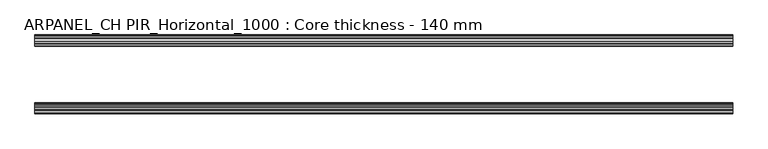
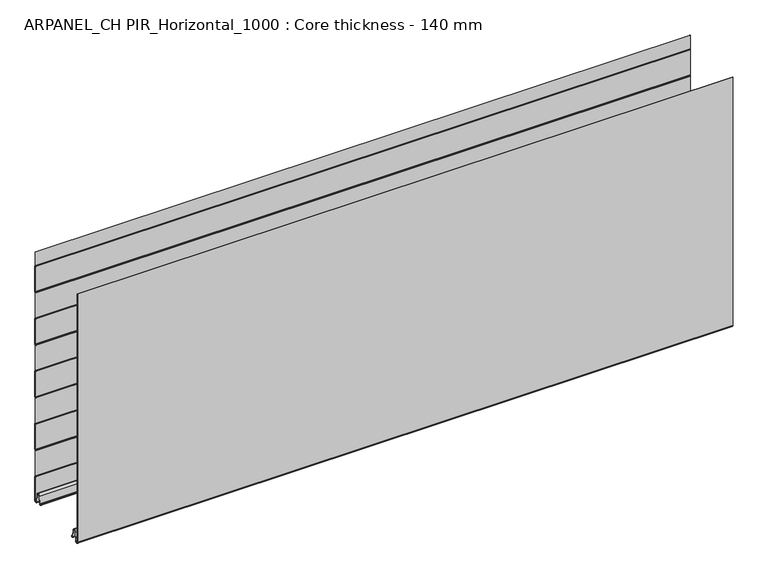
"""IFC4 building model written with IfcOpenShell, lengths in millimetres: plate geometry, ARPANEL_CH PIR_Horizontal_1000 : Core thickness - 140 mm."""

from ifc_helpers import new_model, si_unit, frame, origin, place, context, project, spatial, polyline, circle_curve, source, transform, mapped, element, save
from ifc_brep_helpers import plane_surface, cylinder_surface, revolved_surface, advanced_brep


def arpanel_ch_pir_horizontal_1000_core_thickness_140_mm_5eaaea80(model_context):
    return source(origin(), model_context, "Body", "AdvancedBrep", [
        advanced_brep(
        [(620.0, -1.5003051, 473.4703605), (620.0, -1.0971009, 472.0509491), (620.0, -0.8, 470.9985637), (620.0, -0.8, 420.8387805), (620.0, -1.0986697, 419.7873646), (620.0, -1.5003051, 418.3669837), (620.0, -1.5003051, 368.2072005), (620.0, -1.0971009, 366.7877891), (620.0, -0.8, 365.7354037), (620.0, -0.8, 315.5756205), (620.0, -1.0986697, 314.5242046), (620.0, -1.5003051, 313.1038237), (620.0, -1.5003051, 262.9440405), (620.0, -1.0971009, 261.5246291), (620.0, -0.8, 260.4722437), (620.0, -0.8, 210.3124605), (620.0, -1.0986697, 209.2610446), (620.0, -1.5003051, 207.8406637), (620.0, -1.5003051, 157.6808805), (620.0, -1.0971009, 156.2614691), (620.0, -0.8, 155.2090837), (620.0, -0.8, 105.0493005), (620.0, -1.0986697, 103.9978846), (620.0, -1.5003051, 102.5775037), (620.0, -1.5003051, 52.4177205), (620.0, -1.0971009, 50.9983091), (620.0, -0.8, 49.9459237), (620.0, -0.8, 3.0900682), (620.0, -5.3893281, 2.8656275), (620.0, -7.0067021, 19.3608832), (620.0, -10.8223285, 22.7899182), (620.0, -14.6379549, 19.3608832), (620.0, -16.0235822, 5.2291629), (620.0, -18.8169005, 5.365779), (620.0, -19.6169005, 5.365779), (620.0, -15.2274002, 5.1510966), (620.0, -13.8417729, 19.2828169), (620.0, -10.8223285, 21.9898782), (620.0, -7.802884, 19.2828169), (620.0, -6.18551, 2.7875612), (620.0, -0.0003051, 3.0900682), (620.0, -0.0003051, 49.9459237), (620.0, -0.4034608, 51.3652568), (620.0, -0.7003051, 52.4177205), (620.0, -0.7003051, 102.5775037), (620.0, -0.4016712, 103.6288615), (620.0, -0.0003051, 105.0493005), (620.0, -0.0003051, 155.2090837), (620.0, -0.4034608, 156.6284168), (620.0, -0.7003051, 157.6808805), (620.0, -0.7003051, 207.8406637), (620.0, -0.4016712, 208.8920215), (620.0, -0.0003051, 210.3124605), (620.0, -0.0003051, 260.4722437), (620.0, -0.4034608, 261.8915768), (620.0, -0.7003051, 262.9440405), (620.0, -0.7003051, 313.1038237), (620.0, -0.4016712, 314.1551815), (620.0, -0.0003051, 315.5756205), (620.0, -0.0003051, 365.7354037), (620.0, -0.4034608, 367.1547368), (620.0, -0.7003051, 368.2072005), (620.0, -0.7003051, 418.3669837), (620.0, -0.4016712, 419.4183415), (620.0, -0.0003051, 420.8387805), (620.0, -0.0003051, 470.9985637), (620.0, -0.4034608, 472.4178968), (620.0, -0.7003051, 473.4703605), (620.0, -0.7003051, 500.0), (620.0, -1.5003051, 500.0), (-620.0, -0.7003051, 473.4703605), (-620.0, -0.4016712, 472.4190026), (-620.0, -0.0003051, 470.9985637), (-620.0, -0.0003051, 420.8387805), (-620.0, -0.4034608, 419.4194474), (-620.0, -0.7003051, 418.3669837), (-620.0, -0.7003051, 368.2072005), (-620.0, -0.4016712, 367.1558426), (-620.0, -0.0003051, 365.7354037), (-620.0, -0.0003051, 315.5756205), (-620.0, -0.4034608, 314.1562874), (-620.0, -0.7003051, 313.1038237), (-620.0, -0.7003051, 262.9440405), (-620.0, -0.4016712, 261.8926826), (-620.0, -0.0003051, 260.4722437), (-620.0, -0.0003051, 210.3124605), (-620.0, -0.4034608, 208.8931274), (-620.0, -0.7003051, 207.8406637), (-620.0, -0.7003051, 157.6808805), (-620.0, -0.4016712, 156.6295226), (-620.0, -0.0003051, 155.2090837), (-620.0, -0.0003051, 105.0493005), (-620.0, -0.4034608, 103.6299674), (-620.0, -0.7003051, 102.5775037), (-620.0, -0.7003051, 52.4177205), (-620.0, -0.4016712, 51.3663626), (-620.0, -0.0003051, 49.9459237), (-620.0, -0.0003051, 3.0900682), (-620.0, -6.18551, 2.7875612), (-620.0, -7.802884, 19.2828169), (-620.0, -10.8223285, 21.9898782), (-620.0, -13.8417729, 19.2828169), (-620.0, -15.2274002, 5.1510966), (-620.0, -19.6169005, 5.365779), (-620.0, -18.8169005, 5.365779), (-620.0, -16.0235822, 5.2291629), (-620.0, -14.6379549, 19.3608832), (-620.0, -10.8223285, 22.7899182), (-620.0, -7.0067021, 19.3608832), (-620.0, -5.3893281, 2.8656275), (-620.0, -0.8003051, 3.0900682), (-620.0, -0.8, 49.9459237), (-620.0, -1.0986697, 50.9973395), (-620.0, -1.5003051, 52.4177205), (-620.0, -1.5003051, 102.5775037), (-620.0, -1.0971009, 103.9969151), (-620.0, -0.8, 105.0493005), (-620.0, -0.8, 155.2090837), (-620.0, -1.0986697, 156.2604995), (-620.0, -1.5003051, 157.6808805), (-620.0, -1.5003051, 207.8406637), (-620.0, -1.0971009, 209.2600751), (-620.0, -0.8, 210.3124605), (-620.0, -0.8, 260.4722437), (-620.0, -1.0986697, 261.5236595), (-620.0, -1.5003051, 262.9440405), (-620.0, -1.5003051, 313.1038237), (-620.0, -1.0971009, 314.5232351), (-620.0, -0.8, 315.5756205), (-620.0, -0.8, 365.7354037), (-620.0, -1.0986697, 366.7868195), (-620.0, -1.5003051, 368.2072005), (-620.0, -1.5003051, 418.3669837), (-620.0, -1.0971009, 419.7863951), (-620.0, -0.8, 420.8387805), (-620.0, -0.8, 470.9985637), (-620.0, -1.0986697, 472.0499795), (-620.0, -1.5003051, 473.4703605), (-620.0, -1.5003051, 500.0), (-620.0, -0.7003051, 500.0)],
        [
            (0, 1, circle_curve(frame((620.0, 1.1996949, 473.4703605), z_axis=(1.0, 0.0, 0.0), x_axis=(0.0, 0.0, -1.0)), 2.7)),
            (1, 2, circle_curve(frame((620.0, -2.8, 470.9985637), z_axis=(-1.0, 0.0, 0.0), x_axis=(0.0, 0.0, -1.0)), 2.0)),
            (2, 3),
            (3, 4, circle_curve(frame((620.0, -2.8, 420.8387805), z_axis=(-1.0, 0.0, 0.0), x_axis=(0.0, 0.0, -1.0)), 2.0)),
            (4, 5, circle_curve(frame((620.0, 1.1996949, 418.3669837), z_axis=(1.0, 0.0, 0.0), x_axis=(0.0, 0.0, -1.0)), 2.7)),
            (5, 6),
            (6, 7, circle_curve(frame((620.0, 1.1996949, 368.2072005), z_axis=(1.0, 0.0, 0.0), x_axis=(0.0, 0.0, -1.0)), 2.7)),
            (7, 8, circle_curve(frame((620.0, -2.8, 365.7354037), z_axis=(-1.0, 0.0, 0.0), x_axis=(0.0, 0.0, -1.0)), 2.0)),
            (8, 9),
            (9, 10, circle_curve(frame((620.0, -2.8, 315.5756205), z_axis=(-1.0, 0.0, 0.0), x_axis=(0.0, 0.0, -1.0)), 2.0)),
            (10, 11, circle_curve(frame((620.0, 1.1996949, 313.1038237), z_axis=(1.0, 0.0, 0.0), x_axis=(0.0, 0.0, -1.0)), 2.7)),
            (11, 12),
            (12, 13, circle_curve(frame((620.0, 1.1996949, 262.9440405), z_axis=(1.0, 0.0, 0.0), x_axis=(0.0, 0.0, -1.0)), 2.7)),
            (13, 14, circle_curve(frame((620.0, -2.8, 260.4722437), z_axis=(-1.0, 0.0, 0.0), x_axis=(0.0, 0.0, -1.0)), 2.0)),
            (14, 15),
            (15, 16, circle_curve(frame((620.0, -2.8, 210.3124605), z_axis=(-1.0, 0.0, 0.0), x_axis=(0.0, 0.0, -1.0)), 2.0)),
            (16, 17, circle_curve(frame((620.0, 1.1996949, 207.8406637), z_axis=(1.0, 0.0, 0.0), x_axis=(0.0, 0.0, -1.0)), 2.7)),
            (17, 18),
            (18, 19, circle_curve(frame((620.0, 1.1996949, 157.6808805), z_axis=(1.0, 0.0, 0.0), x_axis=(0.0, 0.0, -1.0)), 2.7)),
            (19, 20, circle_curve(frame((620.0, -2.8, 155.2090837), z_axis=(-1.0, 0.0, 0.0), x_axis=(0.0, 0.0, -1.0)), 2.0)),
            (20, 21),
            (21, 22, circle_curve(frame((620.0, -2.8, 105.0493005), z_axis=(-1.0, 0.0, 0.0), x_axis=(0.0, 0.0, -1.0)), 2.0)),
            (22, 23, circle_curve(frame((620.0, 1.1996949, 102.5775037), z_axis=(1.0, 0.0, 0.0), x_axis=(0.0, 0.0, -1.0)), 2.7)),
            (23, 24),
            (24, 25, circle_curve(frame((620.0, 1.1996949, 52.4177205), z_axis=(1.0, 0.0, 0.0), x_axis=(0.0, 0.0, -1.0)), 2.7)),
            (25, 26, circle_curve(frame((620.0, -2.8, 49.9459237), z_axis=(-1.0, 0.0, 0.0), x_axis=(0.0, 0.0, -1.0)), 2.0)),
            (26, 27),
            (27, 28, circle_curve(frame((620.0, -3.1003051, 3.0900682), z_axis=(-1.0, 0.0, 0.0), x_axis=(0.0, 0.0, -1.0)), 2.3)),
            (28, 29),
            (29, 30, circle_curve(frame((620.0, -10.7885662, 18.9900682), z_axis=(1.0, 0.0, 0.0), x_axis=(0.0, 0.0, -1.0)), 3.8)),
            (30, 31, circle_curve(frame((620.0, -10.8560907, 18.9900682), z_axis=(1.0, 0.0, 0.0), x_axis=(0.0, 0.0, -1.0)), 3.8)),
            (31, 32),
            (32, 33, circle_curve(frame((620.0, -17.4169005, 5.365779), z_axis=(-1.0, 0.0, 0.0), x_axis=(0.0, 0.0, -1.0)), 1.4)),
            (33, 34),
            (34, 35, circle_curve(frame((620.0, -17.4169005, 5.365779), z_axis=(1.0, 0.0, 0.0), x_axis=(0.0, 0.0, -1.0)), 2.2)),
            (35, 36),
            (36, 37, circle_curve(frame((620.0, -10.8560907, 18.9900682), z_axis=(-1.0, 0.0, 0.0), x_axis=(0.0, 0.0, -1.0)), 3.0)),
            (37, 38, circle_curve(frame((620.0, -10.7885662, 18.9900682), z_axis=(-1.0, 0.0, 0.0), x_axis=(0.0, 0.0, -1.0)), 3.0)),
            (38, 39),
            (39, 40, circle_curve(frame((620.0, -3.1003051, 3.0900682), z_axis=(1.0, 0.0, 0.0), x_axis=(0.0, 0.0, -1.0)), 3.1)),
            (40, 41),
            (41, 42, circle_curve(frame((620.0, -2.7003051, 49.9459237), z_axis=(1.0, 0.0, 0.0), x_axis=(0.0, 0.0, -1.0)), 2.7)),
            (42, 43, circle_curve(frame((620.0, 1.2996949, 52.4177205), z_axis=(-1.0, 0.0, 0.0), x_axis=(0.0, 0.0, -1.0)), 2.0)),
            (43, 44),
            (44, 45, circle_curve(frame((620.0, 1.2996949, 102.5775037), z_axis=(-1.0, 0.0, 0.0), x_axis=(0.0, 0.0, -1.0)), 2.0)),
            (45, 46, circle_curve(frame((620.0, -2.7003051, 105.0493005), z_axis=(1.0, 0.0, 0.0), x_axis=(0.0, 0.0, -1.0)), 2.7)),
            (46, 47),
            (47, 48, circle_curve(frame((620.0, -2.7003051, 155.2090837), z_axis=(1.0, 0.0, 0.0), x_axis=(0.0, 0.0, -1.0)), 2.7)),
            (48, 49, circle_curve(frame((620.0, 1.2996949, 157.6808805), z_axis=(-1.0, 0.0, 0.0), x_axis=(0.0, 0.0, -1.0)), 2.0)),
            (49, 50),
            (50, 51, circle_curve(frame((620.0, 1.2996949, 207.8406637), z_axis=(-1.0, 0.0, 0.0), x_axis=(0.0, 0.0, -1.0)), 2.0)),
            (51, 52, circle_curve(frame((620.0, -2.7003051, 210.3124605), z_axis=(1.0, 0.0, 0.0), x_axis=(0.0, 0.0, -1.0)), 2.7)),
            (52, 53),
            (53, 54, circle_curve(frame((620.0, -2.7003051, 260.4722437), z_axis=(1.0, 0.0, 0.0), x_axis=(0.0, 0.0, -1.0)), 2.7)),
            (54, 55, circle_curve(frame((620.0, 1.2996949, 262.9440405), z_axis=(-1.0, 0.0, 0.0), x_axis=(0.0, 0.0, -1.0)), 2.0)),
            (55, 56),
            (56, 57, circle_curve(frame((620.0, 1.2996949, 313.1038237), z_axis=(-1.0, 0.0, 0.0), x_axis=(0.0, 0.0, -1.0)), 2.0)),
            (57, 58, circle_curve(frame((620.0, -2.7003051, 315.5756205), z_axis=(1.0, 0.0, 0.0), x_axis=(0.0, 0.0, -1.0)), 2.7)),
            (58, 59),
            (59, 60, circle_curve(frame((620.0, -2.7003051, 365.7354037), z_axis=(1.0, 0.0, 0.0), x_axis=(0.0, 0.0, -1.0)), 2.7)),
            (60, 61, circle_curve(frame((620.0, 1.2996949, 368.2072005), z_axis=(-1.0, 0.0, 0.0), x_axis=(0.0, 0.0, -1.0)), 2.0)),
            (61, 62),
            (62, 63, circle_curve(frame((620.0, 1.2996949, 418.3669837), z_axis=(-1.0, 0.0, 0.0), x_axis=(0.0, 0.0, -1.0)), 2.0)),
            (63, 64, circle_curve(frame((620.0, -2.7003051, 420.8387805), z_axis=(1.0, 0.0, 0.0), x_axis=(0.0, 0.0, -1.0)), 2.7)),
            (64, 65),
            (65, 66, circle_curve(frame((620.0, -2.7003051, 470.9985637), z_axis=(1.0, 0.0, 0.0), x_axis=(0.0, 0.0, -1.0)), 2.7)),
            (66, 67, circle_curve(frame((620.0, 1.2996949, 473.4703605), z_axis=(-1.0, 0.0, 0.0), x_axis=(0.0, 0.0, -1.0)), 2.0)),
            (67, 68),
            (68, 69),
            (69, 0),
            (70, 71, circle_curve(frame((-620.0, 1.2996949, 473.4703605), z_axis=(1.0, 0.0, 0.0), x_axis=(0.0, 0.0, -1.0)), 2.0)),
            (71, 72, circle_curve(frame((-620.0, -2.7003051, 470.9985637), z_axis=(-1.0, 0.0, 0.0), x_axis=(0.0, 0.0, -1.0)), 2.7)),
            (72, 73),
            (73, 74, circle_curve(frame((-620.0, -2.7003051, 420.8387805), z_axis=(-1.0, 0.0, 0.0), x_axis=(0.0, 0.0, -1.0)), 2.7)),
            (74, 75, circle_curve(frame((-620.0, 1.2996949, 418.3669837), z_axis=(1.0, 0.0, 0.0), x_axis=(0.0, 0.0, -1.0)), 2.0)),
            (75, 76),
            (76, 77, circle_curve(frame((-620.0, 1.2996949, 368.2072005), z_axis=(1.0, 0.0, 0.0), x_axis=(0.0, 0.0, -1.0)), 2.0)),
            (77, 78, circle_curve(frame((-620.0, -2.7003051, 365.7354037), z_axis=(-1.0, 0.0, 0.0), x_axis=(0.0, 0.0, -1.0)), 2.7)),
            (78, 79),
            (79, 80, circle_curve(frame((-620.0, -2.7003051, 315.5756205), z_axis=(-1.0, 0.0, 0.0), x_axis=(0.0, 0.0, -1.0)), 2.7)),
            (80, 81, circle_curve(frame((-620.0, 1.2996949, 313.1038237), z_axis=(1.0, 0.0, 0.0), x_axis=(0.0, 0.0, -1.0)), 2.0)),
            (81, 82),
            (82, 83, circle_curve(frame((-620.0, 1.2996949, 262.9440405), z_axis=(1.0, 0.0, 0.0), x_axis=(0.0, 0.0, -1.0)), 2.0)),
            (83, 84, circle_curve(frame((-620.0, -2.7003051, 260.4722437), z_axis=(-1.0, 0.0, 0.0), x_axis=(0.0, 0.0, -1.0)), 2.7)),
            (84, 85),
            (85, 86, circle_curve(frame((-620.0, -2.7003051, 210.3124605), z_axis=(-1.0, 0.0, 0.0), x_axis=(0.0, 0.0, -1.0)), 2.7)),
            (86, 87, circle_curve(frame((-620.0, 1.2996949, 207.8406637), z_axis=(1.0, 0.0, 0.0), x_axis=(0.0, 0.0, -1.0)), 2.0)),
            (87, 88),
            (88, 89, circle_curve(frame((-620.0, 1.2996949, 157.6808805), z_axis=(1.0, 0.0, 0.0), x_axis=(0.0, 0.0, -1.0)), 2.0)),
            (89, 90, circle_curve(frame((-620.0, -2.7003051, 155.2090837), z_axis=(-1.0, 0.0, 0.0), x_axis=(0.0, 0.0, -1.0)), 2.7)),
            (90, 91),
            (91, 92, circle_curve(frame((-620.0, -2.7003051, 105.0493005), z_axis=(-1.0, 0.0, 0.0), x_axis=(0.0, 0.0, -1.0)), 2.7)),
            (92, 93, circle_curve(frame((-620.0, 1.2996949, 102.5775037), z_axis=(1.0, 0.0, 0.0), x_axis=(0.0, 0.0, -1.0)), 2.0)),
            (93, 94),
            (94, 95, circle_curve(frame((-620.0, 1.2996949, 52.4177205), z_axis=(1.0, 0.0, 0.0), x_axis=(0.0, 0.0, -1.0)), 2.0)),
            (95, 96, circle_curve(frame((-620.0, -2.7003051, 49.9459237), z_axis=(-1.0, 0.0, 0.0), x_axis=(0.0, 0.0, -1.0)), 2.7)),
            (96, 97),
            (97, 98, circle_curve(frame((-620.0, -3.1003051, 3.0900682), z_axis=(-1.0, 0.0, 0.0), x_axis=(0.0, 0.0, -1.0)), 3.1)),
            (98, 99),
            (99, 100, circle_curve(frame((-620.0, -10.7885662, 18.9900682), z_axis=(1.0, 0.0, 0.0), x_axis=(0.0, 0.0, -1.0)), 3.0)),
            (100, 101, circle_curve(frame((-620.0, -10.8560907, 18.9900682), z_axis=(1.0, 0.0, 0.0), x_axis=(0.0, 0.0, -1.0)), 3.0)),
            (101, 102),
            (102, 103, circle_curve(frame((-620.0, -17.4169005, 5.365779), z_axis=(-1.0, 0.0, 0.0), x_axis=(0.0, 0.0, -1.0)), 2.2)),
            (103, 104),
            (104, 105, circle_curve(frame((-620.0, -17.4169005, 5.365779), z_axis=(1.0, 0.0, 0.0), x_axis=(0.0, 0.0, -1.0)), 1.4)),
            (105, 106),
            (106, 107, circle_curve(frame((-620.0, -10.8560907, 18.9900682), z_axis=(-1.0, 0.0, 0.0), x_axis=(0.0, 0.0, -1.0)), 3.8)),
            (107, 108, circle_curve(frame((-620.0, -10.7885662, 18.9900682), z_axis=(-1.0, 0.0, 0.0), x_axis=(0.0, 0.0, -1.0)), 3.8)),
            (108, 109),
            (109, 110, circle_curve(frame((-620.0, -3.1003051, 3.0900682), z_axis=(1.0, 0.0, 0.0), x_axis=(0.0, 0.0, -1.0)), 2.3)),
            (110, 111),
            (111, 112, circle_curve(frame((-620.0, -2.8, 49.9459237), z_axis=(1.0, 0.0, 0.0), x_axis=(0.0, 0.0, -1.0)), 2.0)),
            (112, 113, circle_curve(frame((-620.0, 1.1996949, 52.4177205), z_axis=(-1.0, 0.0, 0.0), x_axis=(0.0, 0.0, -1.0)), 2.7)),
            (113, 114),
            (114, 115, circle_curve(frame((-620.0, 1.1996949, 102.5775037), z_axis=(-1.0, 0.0, 0.0), x_axis=(0.0, 0.0, -1.0)), 2.7)),
            (115, 116, circle_curve(frame((-620.0, -2.8, 105.0493005), z_axis=(1.0, 0.0, 0.0), x_axis=(0.0, 0.0, -1.0)), 2.0)),
            (116, 117),
            (117, 118, circle_curve(frame((-620.0, -2.8, 155.2090837), z_axis=(1.0, 0.0, 0.0), x_axis=(0.0, 0.0, -1.0)), 2.0)),
            (118, 119, circle_curve(frame((-620.0, 1.1996949, 157.6808805), z_axis=(-1.0, 0.0, 0.0), x_axis=(0.0, 0.0, -1.0)), 2.7)),
            (119, 120),
            (120, 121, circle_curve(frame((-620.0, 1.1996949, 207.8406637), z_axis=(-1.0, 0.0, 0.0), x_axis=(0.0, 0.0, -1.0)), 2.7)),
            (121, 122, circle_curve(frame((-620.0, -2.8, 210.3124605), z_axis=(1.0, 0.0, 0.0), x_axis=(0.0, 0.0, -1.0)), 2.0)),
            (122, 123),
            (123, 124, circle_curve(frame((-620.0, -2.8, 260.4722437), z_axis=(1.0, 0.0, 0.0), x_axis=(0.0, 0.0, -1.0)), 2.0)),
            (124, 125, circle_curve(frame((-620.0, 1.1996949, 262.9440405), z_axis=(-1.0, 0.0, 0.0), x_axis=(0.0, 0.0, -1.0)), 2.7)),
            (125, 126),
            (126, 127, circle_curve(frame((-620.0, 1.1996949, 313.1038237), z_axis=(-1.0, 0.0, 0.0), x_axis=(0.0, 0.0, -1.0)), 2.7)),
            (127, 128, circle_curve(frame((-620.0, -2.8, 315.5756205), z_axis=(1.0, 0.0, 0.0), x_axis=(0.0, 0.0, -1.0)), 2.0)),
            (128, 129),
            (129, 130, circle_curve(frame((-620.0, -2.8, 365.7354037), z_axis=(1.0, 0.0, 0.0), x_axis=(0.0, 0.0, -1.0)), 2.0)),
            (130, 131, circle_curve(frame((-620.0, 1.1996949, 368.2072005), z_axis=(-1.0, 0.0, 0.0), x_axis=(0.0, 0.0, -1.0)), 2.7)),
            (131, 132),
            (132, 133, circle_curve(frame((-620.0, 1.1996949, 418.3669837), z_axis=(-1.0, 0.0, 0.0), x_axis=(0.0, 0.0, -1.0)), 2.7)),
            (133, 134, circle_curve(frame((-620.0, -2.8, 420.8387805), z_axis=(1.0, 0.0, 0.0), x_axis=(0.0, 0.0, -1.0)), 2.0)),
            (134, 135),
            (135, 136, circle_curve(frame((-620.0, -2.8, 470.9985637), z_axis=(1.0, 0.0, 0.0), x_axis=(0.0, 0.0, -1.0)), 2.0)),
            (136, 137, circle_curve(frame((-620.0, 1.1996949, 473.4703605), z_axis=(-1.0, 0.0, 0.0), x_axis=(0.0, 0.0, -1.0)), 2.7)),
            (137, 138),
            (138, 139),
            (139, 70),
            (137, 0),
            (69, 138),
            (136, 1),
            (135, 2),
            (134, 3),
            (133, 4),
            (132, 5),
            (131, 6),
            (130, 7),
            (129, 8),
            (128, 9),
            (127, 10),
            (126, 11),
            (125, 12),
            (124, 13),
            (123, 14),
            (122, 15),
            (121, 16),
            (120, 17),
            (119, 18),
            (118, 19),
            (117, 20),
            (116, 21),
            (115, 22),
            (114, 23),
            (113, 24),
            (112, 25),
            (111, 26),
            (110, 27),
            (109, 28),
            (108, 29),
            (107, 30),
            (106, 31),
            (105, 32),
            (104, 33),
            (103, 34),
            (102, 35),
            (101, 36),
            (100, 37),
            (99, 38),
            (98, 39),
            (97, 40),
            (96, 41),
            (95, 42),
            (94, 43),
            (93, 44),
            (92, 45),
            (91, 46),
            (90, 47),
            (89, 48),
            (88, 49),
            (87, 50),
            (86, 51),
            (85, 52),
            (84, 53),
            (83, 54),
            (82, 55),
            (81, 56),
            (80, 57),
            (79, 58),
            (78, 59),
            (77, 60),
            (76, 61),
            (75, 62),
            (74, 63),
            (73, 64),
            (72, 65),
            (71, 66),
            (70, 67),
            (139, 68),
        ],
        [
            plane_surface(frame((620.0, 0.0, 0.0), z_axis=(1.0, 0.0, 0.0), x_axis=(0.0, -1.0, 0.0))),
            plane_surface(frame((-620.0, 0.0, 0.0), z_axis=(-1.0, 0.0, 0.0), x_axis=(0.0, -1.0, 0.0))),
            plane_surface(frame((620.0, -1.5003051, 523.6301437), z_axis=(0.0, -1.0, 0.0), x_axis=(-1.0, 0.0, 0.0))),
            cylinder_surface(frame((620.0, 1.1996949, 473.4703605), z_axis=(1.0, 0.0, 0.0), x_axis=(0.0, 0.0, -1.0)), 2.7),
            revolved_surface(polyline([(-620.0, -2.8, 468.9985637), (620.0, -2.8, 468.9985637)]), (620.0, -2.8, 470.9985637), (-1.0, 0.0, 0.0)),
            plane_surface(frame((620.0, -0.8, 470.9985637), z_axis=(0.0, -1.0, 0.0), x_axis=(-1.0, 0.0, 0.0))),
            revolved_surface(polyline([(-620.0, -2.8, 418.8387805), (620.0, -2.8, 418.8387805)]), (620.0, -2.8, 420.8387805), (-1.0, 0.0, 0.0)),
            cylinder_surface(frame((620.0, 1.1996949, 418.3669837), z_axis=(1.0, 0.0, 0.0), x_axis=(0.0, 0.0, -1.0)), 2.7),
            plane_surface(frame((620.0, -1.5003051, 418.3669837), z_axis=(0.0, -1.0, 0.0), x_axis=(-1.0, 0.0, 0.0))),
            cylinder_surface(frame((620.0, 1.1996949, 368.2072005), z_axis=(1.0, 0.0, 0.0), x_axis=(0.0, 0.0, -1.0)), 2.7),
            revolved_surface(polyline([(-620.0, -2.8, 363.7354037), (620.0, -2.8, 363.7354037)]), (620.0, -2.8, 365.7354037), (-1.0, 0.0, 0.0)),
            plane_surface(frame((620.0, -0.8, 365.7354037), z_axis=(0.0, -1.0, 0.0), x_axis=(-1.0, 0.0, 0.0))),
            revolved_surface(polyline([(-620.0, -2.8, 313.5756205), (620.0, -2.8, 313.5756205)]), (620.0, -2.8, 315.5756205), (-1.0, 0.0, 0.0)),
            cylinder_surface(frame((620.0, 1.1996949, 313.1038237), z_axis=(1.0, 0.0, 0.0), x_axis=(0.0, 0.0, -1.0)), 2.7),
            plane_surface(frame((620.0, -1.5003051, 313.1038237), z_axis=(0.0, -1.0, 0.0), x_axis=(-1.0, 0.0, 0.0))),
            cylinder_surface(frame((620.0, 1.1996949, 262.9440405), z_axis=(1.0, 0.0, 0.0), x_axis=(0.0, 0.0, -1.0)), 2.7),
            revolved_surface(polyline([(-620.0, -2.8, 258.4722437), (620.0, -2.8, 258.4722437)]), (620.0, -2.8, 260.4722437), (-1.0, 0.0, 0.0)),
            plane_surface(frame((620.0, -0.8, 260.4722437), z_axis=(0.0, -1.0, 0.0), x_axis=(-1.0, 0.0, 0.0))),
            revolved_surface(polyline([(-620.0, -2.8, 208.3124605), (620.0, -2.8, 208.3124605)]), (620.0, -2.8, 210.3124605), (-1.0, 0.0, 0.0)),
            cylinder_surface(frame((620.0, 1.1996949, 207.8406637), z_axis=(1.0, 0.0, 0.0), x_axis=(0.0, 0.0, -1.0)), 2.7),
            plane_surface(frame((620.0, -1.5003051, 207.8406637), z_axis=(0.0, -1.0, 0.0), x_axis=(-1.0, 0.0, 0.0))),
            cylinder_surface(frame((620.0, 1.1996949, 157.6808805), z_axis=(1.0, 0.0, 0.0), x_axis=(0.0, 0.0, -1.0)), 2.7),
            revolved_surface(polyline([(-620.0, -2.8, 153.2090837), (620.0, -2.8, 153.2090837)]), (620.0, -2.8, 155.2090837), (-1.0, 0.0, 0.0)),
            plane_surface(frame((620.0, -0.8, 155.2090837), z_axis=(0.0, -1.0, 0.0), x_axis=(-1.0, 0.0, 0.0))),
            revolved_surface(polyline([(-620.0, -2.8, 103.0493005), (620.0, -2.8, 103.0493005)]), (620.0, -2.8, 105.0493005), (-1.0, 0.0, 0.0)),
            cylinder_surface(frame((620.0, 1.1996949, 102.5775037), z_axis=(1.0, 0.0, 0.0), x_axis=(0.0, 0.0, -1.0)), 2.7),
            plane_surface(frame((620.0, -1.5003051, 102.5775037), z_axis=(0.0, -1.0, 0.0), x_axis=(-1.0, 0.0, 0.0))),
            cylinder_surface(frame((620.0, 1.1996949, 52.4177205), z_axis=(1.0, 0.0, 0.0), x_axis=(0.0, 0.0, -1.0)), 2.7),
            revolved_surface(polyline([(-620.0, -2.8, 47.9459237), (620.0, -2.8, 47.9459237)]), (620.0, -2.8, 49.9459237), (-1.0, 0.0, 0.0)),
            plane_surface(frame((620.0, -0.8, 49.9459237), z_axis=(0.0, -1.0, 0.0), x_axis=(-1.0, 0.0, 0.0))),
            revolved_surface(polyline([(-620.0, -3.1003051, 0.7900682000000003), (620.0, -3.1003051, 0.7900682000000003)]), (620.0, -3.1003051, 3.0900682), (-1.0, 0.0, 0.0)),
            plane_surface(frame((620.0, -5.3893281, 2.8656275), z_axis=(0.0, 0.9952273999818314, 0.09758289975914787), x_axis=(-1.0, 0.0, 0.0))),
            cylinder_surface(frame((620.0, -10.7885662, 18.9900682), z_axis=(1.0, 0.0, 0.0), x_axis=(0.0, 0.0, -1.0)), 3.8),
            cylinder_surface(frame((620.0, -10.8560907, 18.9900682), z_axis=(1.0, 0.0, 0.0), x_axis=(0.0, 0.0, -1.0)), 3.8),
            plane_surface(frame((620.0, -14.6379549, 19.3608832), z_axis=(0.0, -0.9952273999818297, 0.09758289975916531), x_axis=(-1.0, 0.0, 0.0))),
            revolved_surface(polyline([(-620.0, -17.4169005, 3.965779), (620.0, -17.4169005, 3.965779)]), (620.0, -17.4169005, 5.365779), (-1.0, 0.0, 0.0)),
            plane_surface(frame((620.0, -18.8169005, 5.365779), z_axis=(0.0, 0.0, 1.0), x_axis=(-1.0, 0.0, 0.0))),
            cylinder_surface(frame((620.0, -17.4169005, 5.365779), z_axis=(1.0, 0.0, 0.0), x_axis=(0.0, 0.0, -1.0)), 2.2),
            plane_surface(frame((620.0, -15.2274002, 5.1510966), z_axis=(0.0, 0.9952273999818296, -0.09758289975916527), x_axis=(-1.0, 0.0, 0.0))),
            revolved_surface(polyline([(-620.0, -10.8560907, 15.9900682), (620.0, -10.8560907, 15.9900682)]), (620.0, -10.8560907, 18.9900682), (-1.0, 0.0, 0.0)),
            revolved_surface(polyline([(-620.0, -10.7885662, 15.9900682), (620.0, -10.7885662, 15.9900682)]), (620.0, -10.7885662, 18.9900682), (-1.0, 0.0, 0.0)),
            plane_surface(frame((620.0, -7.802884, 19.2828169), z_axis=(0.0, -0.9952273999818314, -0.09758289975914787), x_axis=(-1.0, 0.0, 0.0))),
            cylinder_surface(frame((620.0, -3.1003051, 3.0900682), z_axis=(1.0, 0.0, 0.0), x_axis=(0.0, 0.0, -1.0)), 3.1),
            plane_surface(frame((620.0, -0.0003051, 3.0900682), z_axis=(0.0, 1.0, 0.0), x_axis=(-1.0, 0.0, 0.0))),
            cylinder_surface(frame((620.0, -2.7003051, 49.9459237), z_axis=(1.0, 0.0, 0.0), x_axis=(0.0, 0.0, -1.0)), 2.7),
            revolved_surface(polyline([(-620.0, 1.2996949, 50.4177205), (620.0, 1.2996949, 50.4177205)]), (620.0, 1.2996949, 52.4177205), (-1.0, 0.0, 0.0)),
            plane_surface(frame((620.0, -0.7003051, 52.4177205), z_axis=(0.0, 1.0, 0.0), x_axis=(-1.0, 0.0, 0.0))),
            revolved_surface(polyline([(-620.0, 1.2996949, 100.5775037), (620.0, 1.2996949, 100.5775037)]), (620.0, 1.2996949, 102.5775037), (-1.0, 0.0, 0.0)),
            cylinder_surface(frame((620.0, -2.7003051, 105.0493005), z_axis=(1.0, 0.0, 0.0), x_axis=(0.0, 0.0, -1.0)), 2.7),
            plane_surface(frame((620.0, -0.0003051, 105.0493005), z_axis=(0.0, 1.0, 0.0), x_axis=(-1.0, 0.0, 0.0))),
            cylinder_surface(frame((620.0, -2.7003051, 155.2090837), z_axis=(1.0, 0.0, 0.0), x_axis=(0.0, 0.0, -1.0)), 2.7),
            revolved_surface(polyline([(-620.0, 1.2996949, 155.6808805), (620.0, 1.2996949, 155.6808805)]), (620.0, 1.2996949, 157.6808805), (-1.0, 0.0, 0.0)),
            plane_surface(frame((620.0, -0.7003051, 157.6808805), z_axis=(0.0, 1.0, 0.0), x_axis=(-1.0, 0.0, 0.0))),
            revolved_surface(polyline([(-620.0, 1.2996949, 205.8406637), (620.0, 1.2996949, 205.8406637)]), (620.0, 1.2996949, 207.8406637), (-1.0, 0.0, 0.0)),
            cylinder_surface(frame((620.0, -2.7003051, 210.3124605), z_axis=(1.0, 0.0, 0.0), x_axis=(0.0, 0.0, -1.0)), 2.7),
            plane_surface(frame((620.0, -0.0003051, 210.3124605), z_axis=(0.0, 1.0, 0.0), x_axis=(-1.0, 0.0, 0.0))),
            cylinder_surface(frame((620.0, -2.7003051, 260.4722437), z_axis=(1.0, 0.0, 0.0), x_axis=(0.0, 0.0, -1.0)), 2.7),
            revolved_surface(polyline([(-620.0, 1.2996949, 260.9440405), (620.0, 1.2996949, 260.9440405)]), (620.0, 1.2996949, 262.9440405), (-1.0, 0.0, 0.0)),
            plane_surface(frame((620.0, -0.7003051, 262.9440405), z_axis=(0.0, 1.0, 0.0), x_axis=(-1.0, 0.0, 0.0))),
            revolved_surface(polyline([(-620.0, 1.2996949, 311.1038237), (620.0, 1.2996949, 311.1038237)]), (620.0, 1.2996949, 313.1038237), (-1.0, 0.0, 0.0)),
            cylinder_surface(frame((620.0, -2.7003051, 315.5756205), z_axis=(1.0, 0.0, 0.0), x_axis=(0.0, 0.0, -1.0)), 2.7),
            plane_surface(frame((620.0, -0.0003051, 315.5756205), z_axis=(0.0, 1.0, 0.0), x_axis=(-1.0, 0.0, 0.0))),
            cylinder_surface(frame((620.0, -2.7003051, 365.7354037), z_axis=(1.0, 0.0, 0.0), x_axis=(0.0, 0.0, -1.0)), 2.7),
            revolved_surface(polyline([(-620.0, 1.2996949, 366.2072005), (620.0, 1.2996949, 366.2072005)]), (620.0, 1.2996949, 368.2072005), (-1.0, 0.0, 0.0)),
            plane_surface(frame((620.0, -0.7003051, 368.2072005), z_axis=(0.0, 1.0, 0.0), x_axis=(-1.0, 0.0, 0.0))),
            revolved_surface(polyline([(-620.0, 1.2996949, 416.3669837), (620.0, 1.2996949, 416.3669837)]), (620.0, 1.2996949, 418.3669837), (-1.0, 0.0, 0.0)),
            cylinder_surface(frame((620.0, -2.7003051, 420.8387805), z_axis=(1.0, 0.0, 0.0), x_axis=(0.0, 0.0, -1.0)), 2.7),
            plane_surface(frame((620.0, -0.0003051, 420.8387805), z_axis=(0.0, 1.0, 0.0), x_axis=(-1.0, 0.0, 0.0))),
            cylinder_surface(frame((620.0, -2.7003051, 470.9985637), z_axis=(1.0, 0.0, 0.0), x_axis=(0.0, 0.0, -1.0)), 2.7),
            revolved_surface(polyline([(-620.0, 1.2996949, 471.4703605), (620.0, 1.2996949, 471.4703605)]), (620.0, 1.2996949, 473.4703605), (-1.0, 0.0, 0.0)),
            plane_surface(frame((620.0, -0.7003051, 473.4703605), z_axis=(0.0, 1.0, 0.0), x_axis=(-1.0, 0.0, 0.0))),
            plane_surface(frame((-620.0, 134.0533409, 500.0), z_axis=(0.0, 0.0, 1.0), x_axis=(1.0, 0.0, 0.0))),
        ],
        [
            (0, [[1, 2, 3, 4, 5, 6, 7, 8, 9, 10, 11, 12, 13, 14, 15, 16, 17, 18, 19, 20, 21, 22, 23, 24, 25, 26, 27, 28, 29, 30, 31, 32, 33, 34, 35, 36, 37, 38, 39, 40, 41, 42, 43, 44, 45, 46, 47, 48, 49, 50, 51, 52, 53, 54, 55, 56, 57, 58, 59, 60, 61, 62, 63, 64, 65, 66, 67, 68, 69, 70]]),
            (1, [[71, 72, 73, 74, 75, 76, 77, 78, 79, 80, 81, 82, 83, 84, 85, 86, 87, 88, 89, 90, 91, 92, 93, 94, 95, 96, 97, 98, 99, 100, 101, 102, 103, 104, 105, 106, 107, 108, 109, 110, 111, 112, 113, 114, 115, 116, 117, 118, 119, 120, 121, 122, 123, 124, 125, 126, 127, 128, 129, 130, 131, 132, 133, 134, 135, 136, 137, 138, 139, 140]]),
            (2, [[141, -70, 142, -138]]),
            (3, [[-1, -141, -137, 143]]),
            (4, [[-2, -143, -136, 144]]),
            (5, [[-3, -144, -135, 145]]),
            (6, [[-4, -145, -134, 146]]),
            (7, [[-5, -146, -133, 147]]),
            (8, [[-6, -147, -132, 148]]),
            (9, [[-7, -148, -131, 149]]),
            (10, [[-8, -149, -130, 150]]),
            (11, [[-9, -150, -129, 151]]),
            (12, [[-10, -151, -128, 152]]),
            (13, [[-11, -152, -127, 153]]),
            (14, [[-12, -153, -126, 154]]),
            (15, [[-13, -154, -125, 155]]),
            (16, [[-14, -155, -124, 156]]),
            (17, [[-15, -156, -123, 157]]),
            (18, [[-16, -157, -122, 158]]),
            (19, [[-17, -158, -121, 159]]),
            (20, [[-18, -159, -120, 160]]),
            (21, [[-19, -160, -119, 161]]),
            (22, [[-20, -161, -118, 162]]),
            (23, [[-21, -162, -117, 163]]),
            (24, [[-22, -163, -116, 164]]),
            (25, [[-23, -164, -115, 165]]),
            (26, [[-24, -165, -114, 166]]),
            (27, [[-25, -166, -113, 167]]),
            (28, [[-26, -167, -112, 168]]),
            (29, [[-27, -168, -111, 169]]),
            (30, [[-28, -169, -110, 170]]),
            (31, [[-29, -170, -109, 171]]),
            (32, [[-30, -171, -108, 172]]),
            (33, [[-31, -172, -107, 173]]),
            (34, [[-32, -173, -106, 174]]),
            (35, [[-33, -174, -105, 175]]),
            (36, [[-34, -175, -104, 176]]),
            (37, [[-35, -176, -103, 177]]),
            (38, [[-36, -177, -102, 178]]),
            (39, [[-37, -178, -101, 179]]),
            (40, [[-38, -179, -100, 180]]),
            (41, [[-39, -180, -99, 181]]),
            (42, [[-40, -181, -98, 182]]),
            (43, [[-41, -182, -97, 183]]),
            (44, [[-42, -183, -96, 184]]),
            (45, [[-43, -184, -95, 185]]),
            (46, [[-44, -185, -94, 186]]),
            (47, [[-45, -186, -93, 187]]),
            (48, [[-46, -187, -92, 188]]),
            (49, [[-47, -188, -91, 189]]),
            (50, [[-48, -189, -90, 190]]),
            (51, [[-49, -190, -89, 191]]),
            (52, [[-50, -191, -88, 192]]),
            (53, [[-51, -192, -87, 193]]),
            (54, [[-52, -193, -86, 194]]),
            (55, [[-53, -194, -85, 195]]),
            (56, [[-54, -195, -84, 196]]),
            (57, [[-55, -196, -83, 197]]),
            (58, [[-56, -197, -82, 198]]),
            (59, [[-57, -198, -81, 199]]),
            (60, [[-58, -199, -80, 200]]),
            (61, [[-59, -200, -79, 201]]),
            (62, [[-60, -201, -78, 202]]),
            (63, [[-61, -202, -77, 203]]),
            (64, [[-62, -203, -76, 204]]),
            (65, [[-63, -204, -75, 205]]),
            (66, [[-64, -205, -74, 206]]),
            (67, [[-65, -206, -73, 207]]),
            (68, [[-66, -207, -72, 208]]),
            (69, [[-67, -208, -71, 209]]),
            (70, [[-209, -140, 210, -68]]),
            (71, [[-69, -210, -139, -142]]),
        ],
    ),
        advanced_brep(
        [(620.0, -139.9996949, 3.0900682), (620.0, -133.81449, 2.7875612), (620.0, -132.197116, 19.2828169), (620.0, -129.1776715, 21.9898782), (620.0, -126.1582271, 19.2828169), (620.0, -124.7725998, 5.1510966), (620.0, -120.3830995, 5.365779), (620.0, -121.1830995, 5.365779), (620.0, -123.9764178, 5.2291629), (620.0, -125.3620451, 19.3608832), (620.0, -129.1776715, 22.7899182), (620.0, -132.9932979, 19.3608832), (620.0, -134.6106719, 2.8656275), (620.0, -139.1996949, 3.0900682), (620.0, -139.2, 500.0), (620.0, -139.9996949, 500.0), (-620.0, -139.1996949, 3.0900682), (-620.0, -134.6106719, 2.8656275), (-620.0, -132.9932979, 19.3608832), (-620.0, -129.1776715, 22.7899182), (-620.0, -125.3620451, 19.3608832), (-620.0, -123.9764178, 5.2291629), (-620.0, -121.1830995, 5.365779), (-620.0, -120.3830995, 5.365779), (-620.0, -124.7725998, 5.1510966), (-620.0, -126.1582271, 19.2828169), (-620.0, -129.1776715, 21.9898782), (-620.0, -132.197116, 19.2828169), (-620.0, -133.81449, 2.7875612), (-620.0, -139.9996949, 3.0900682), (-620.0, -139.9996949, 500.0), (-620.0, -139.2, 500.0)],
        [
            (0, 1, circle_curve(frame((620.0, -136.8996949, 3.0900682), z_axis=(1.0, 0.0, 0.0), x_axis=(0.0, 0.0, -1.0)), 3.1)),
            (1, 2),
            (2, 3, circle_curve(frame((620.0, -129.2114338, 18.9900682), z_axis=(-1.0, 0.0, 0.0), x_axis=(0.0, 0.0, -1.0)), 3.0)),
            (3, 4, circle_curve(frame((620.0, -129.1439093, 18.9900682), z_axis=(-1.0, 0.0, 0.0), x_axis=(0.0, 0.0, -1.0)), 3.0)),
            (4, 5),
            (5, 6, circle_curve(frame((620.0, -122.5830995, 5.365779), z_axis=(1.0, 0.0, 0.0), x_axis=(0.0, 0.0, -1.0)), 2.2)),
            (6, 7),
            (7, 8, circle_curve(frame((620.0, -122.5830995, 5.365779), z_axis=(-1.0, 0.0, 0.0), x_axis=(0.0, 0.0, -1.0)), 1.4)),
            (8, 9),
            (9, 10, circle_curve(frame((620.0, -129.1439093, 18.9900682), z_axis=(1.0, 0.0, 0.0), x_axis=(0.0, 0.0, -1.0)), 3.8)),
            (10, 11, circle_curve(frame((620.0, -129.2114338, 18.9900682), z_axis=(1.0, 0.0, 0.0), x_axis=(0.0, 0.0, -1.0)), 3.8)),
            (11, 12),
            (12, 13, circle_curve(frame((620.0, -136.8996949, 3.0900682), z_axis=(-1.0, 0.0, 0.0), x_axis=(0.0, 0.0, -1.0)), 2.3)),
            (13, 14),
            (14, 15),
            (15, 0),
            (16, 17, circle_curve(frame((-620.0, -136.8996949, 3.0900682), z_axis=(1.0, 0.0, 0.0), x_axis=(0.0, 0.0, -1.0)), 2.3)),
            (17, 18),
            (18, 19, circle_curve(frame((-620.0, -129.2114338, 18.9900682), z_axis=(-1.0, 0.0, 0.0), x_axis=(0.0, 0.0, -1.0)), 3.8)),
            (19, 20, circle_curve(frame((-620.0, -129.1439093, 18.9900682), z_axis=(-1.0, 0.0, 0.0), x_axis=(0.0, 0.0, -1.0)), 3.8)),
            (20, 21),
            (21, 22, circle_curve(frame((-620.0, -122.5830995, 5.365779), z_axis=(1.0, 0.0, 0.0), x_axis=(0.0, 0.0, -1.0)), 1.4)),
            (22, 23),
            (23, 24, circle_curve(frame((-620.0, -122.5830995, 5.365779), z_axis=(-1.0, 0.0, 0.0), x_axis=(0.0, 0.0, -1.0)), 2.2)),
            (24, 25),
            (25, 26, circle_curve(frame((-620.0, -129.1439093, 18.9900682), z_axis=(1.0, 0.0, 0.0), x_axis=(0.0, 0.0, -1.0)), 3.0)),
            (26, 27, circle_curve(frame((-620.0, -129.2114338, 18.9900682), z_axis=(1.0, 0.0, 0.0), x_axis=(0.0, 0.0, -1.0)), 3.0)),
            (27, 28),
            (28, 29, circle_curve(frame((-620.0, -136.8996949, 3.0900682), z_axis=(-1.0, 0.0, 0.0), x_axis=(0.0, 0.0, -1.0)), 3.1)),
            (29, 30),
            (30, 31),
            (31, 16),
            (13, 16),
            (31, 14),
            (12, 17),
            (11, 18),
            (10, 19),
            (9, 20),
            (8, 21),
            (7, 22),
            (6, 23),
            (5, 24),
            (4, 25),
            (3, 26),
            (2, 27),
            (1, 28),
            (0, 29),
            (15, 30),
        ],
        [
            plane_surface(frame((620.0, -140.0, 0.0), z_axis=(1.0, 0.0, 0.0), x_axis=(0.0, 1.0, 0.0))),
            plane_surface(frame((-620.0, -140.0, 0.0), z_axis=(-1.0, 0.0, 0.0), x_axis=(0.0, 1.0, 0.0))),
            plane_surface(frame((620.0, -139.2, 3.0900682), z_axis=(0.0, 1.0, 0.0), x_axis=(-1.0, 0.0, 0.0))),
            revolved_surface(polyline([(-620.0, -136.8996949, 0.7900682000000003), (620.0, -136.8996949, 0.7900682000000003)]), (620.0, -136.8996949, 3.0900682), (-1.0, 0.0, 0.0)),
            plane_surface(frame((620.0, -132.9932979, 19.3608832), z_axis=(0.0, -0.9952273999818314, 0.09758289975914787), x_axis=(-1.0, 0.0, 0.0))),
            cylinder_surface(frame((620.0, -129.2114338, 18.9900682), z_axis=(1.0, 0.0, 0.0), x_axis=(0.0, 0.0, -1.0)), 3.8),
            cylinder_surface(frame((620.0, -129.1439093, 18.9900682), z_axis=(1.0, 0.0, 0.0), x_axis=(0.0, 0.0, -1.0)), 3.8),
            plane_surface(frame((620.0, -123.9764178, 5.2291629), z_axis=(0.0, 0.9952273999818297, 0.09758289975916531), x_axis=(-1.0, 0.0, 0.0))),
            revolved_surface(polyline([(-620.0, -122.5830995, 3.965779), (620.0, -122.5830995, 3.965779)]), (620.0, -122.5830995, 5.365779), (-1.0, 0.0, 0.0)),
            plane_surface(frame((620.0, -120.3830995, 5.365779), z_axis=(0.0, 0.0, 1.0), x_axis=(-1.0, 0.0, 0.0))),
            cylinder_surface(frame((620.0, -122.5830995, 5.365779), z_axis=(1.0, 0.0, 0.0), x_axis=(0.0, 0.0, -1.0)), 2.2),
            plane_surface(frame((620.0, -126.1582271, 19.2828169), z_axis=(0.0, -0.9952273999818296, -0.09758289975916527), x_axis=(-1.0, 0.0, 0.0))),
            revolved_surface(polyline([(-620.0, -129.1439093, 15.9900682), (620.0, -129.1439093, 15.9900682)]), (620.0, -129.1439093, 18.9900682), (-1.0, 0.0, 0.0)),
            revolved_surface(polyline([(-620.0, -129.2114338, 15.9900682), (620.0, -129.2114338, 15.9900682)]), (620.0, -129.2114338, 18.9900682), (-1.0, 0.0, 0.0)),
            plane_surface(frame((620.0, -133.81449, 2.7875612), z_axis=(0.0, 0.9952273999818314, -0.09758289975914787), x_axis=(-1.0, 0.0, 0.0))),
            cylinder_surface(frame((620.0, -136.8996949, 3.0900682), z_axis=(1.0, 0.0, 0.0), x_axis=(0.0, 0.0, -1.0)), 3.1),
            plane_surface(frame((620.0, -139.9996949, 993.9000005), z_axis=(0.0, -1.0, 0.0), x_axis=(-1.0, 0.0, 0.0))),
            plane_surface(frame((-620.0, 134.0533409, 500.0), z_axis=(0.0, 0.0, 1.0), x_axis=(1.0, 0.0, 0.0))),
        ],
        [
            (0, [[1, 2, 3, 4, 5, 6, 7, 8, 9, 10, 11, 12, 13, 14, 15, 16]]),
            (1, [[17, 18, 19, 20, 21, 22, 23, 24, 25, 26, 27, 28, 29, 30, 31, 32]]),
            (2, [[33, -32, 34, -14]]),
            (3, [[-13, 35, -17, -33]]),
            (4, [[-12, 36, -18, -35]]),
            (5, [[-11, 37, -19, -36]]),
            (6, [[-10, 38, -20, -37]]),
            (7, [[-9, 39, -21, -38]]),
            (8, [[-8, 40, -22, -39]]),
            (9, [[-7, 41, -23, -40]]),
            (10, [[-6, 42, -24, -41]]),
            (11, [[-5, 43, -25, -42]]),
            (12, [[-4, 44, -26, -43]]),
            (13, [[-3, 45, -27, -44]]),
            (14, [[-2, 46, -28, -45]]),
            (15, [[-1, 47, -29, -46]]),
            (16, [[-47, -16, 48, -30]]),
            (17, [[-15, -34, -31, -48]]),
        ],
    ),
    ])


if __name__ == "__main__":
    model = new_model("IFC4")
    model_context = context("Model", 3, world=origin())
    ifc_project = project(units=[si_unit("LENGTHUNIT", "METRE", prefix="MILLI")], contexts=[model_context])
    site = spatial("IfcSite", under=ifc_project)
    building = spatial("IfcBuilding", under=site)
    placement = place(None, origin())
    arpanel_ch_pir_horizontal_1000_core_thickness_140_mm_shape = arpanel_ch_pir_horizontal_1000_core_thickness_140_mm_5eaaea80(model_context)
    element("IfcPlate", 1, ObjectType="ARPANEL_CH PIR_Horizontal_1000 : Core thickness - 140 mm", at=placement, inside=building, context=model_context, shape_type="MappedRepresentation", body=[
        mapped(arpanel_ch_pir_horizontal_1000_core_thickness_140_mm_shape, transform((0.0, 0.0, 0.0), x_axis=(1.0, 0.0, 0.0), y_axis=(0.0, 1.0, 0.0), z_axis=(0.0, 0.0, 1.0))),
    ])
    save(model, "model.ifc")
